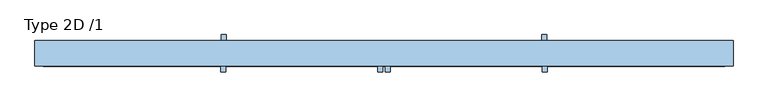
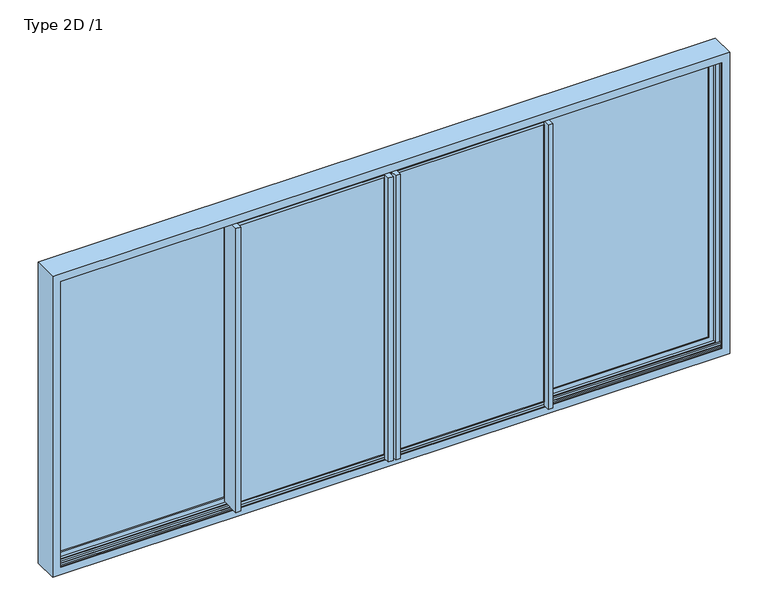
"""IFC4 building model written with IfcOpenShell, lengths in millimetres: window geometry, Type 2D /1."""

from ifc_helpers import new_model, si_unit, frame, origin, place, context, project, spatial, polyline, outline, extrude, faceted_brep, source, transform, mapped, element, save


def type_2d_1_b4686d61(model_context):
    return source(origin(), model_context, "Body", "SolidModel", [
        extrude(outline(polyline([(2120.2000011, -23.220203), (2120.2000011, -1103.279797), (12.7999989, -1103.279797), (12.7999989, -23.220203), (2120.2000011, -23.220203)]), holes=[polyline([(2101.4202041, -1084.5), (2101.4202041, -42.0), (31.5797959, -42.0), (31.5797959, -1084.5), (2101.4202041, -1084.5)])]), frame((0.0, -17.0, 0.0), z_axis=(0.0, 1.0, 0.0), x_axis=(0.0, 0.0, 1.0)), (0.0, 0.0, 1.0), 7.7200134),
        faceted_brep([(-1115.5, -17.0, -15.1996996), (-1115.5, -17.0, 2148.1996996), (-1115.5, -14.5, 2148.1996996), (-1115.5, -14.5, 2130.2001513), (-1115.5, 47.5000001, 2130.2001513), (-1115.5, 47.5000001, 2148.1996996), (-1115.5, 50.0, 2148.1996996), (-1115.5, 50.0, 2127.2000011), (-1115.5, 69.4999931, 2127.2000011), (-1115.5, 69.4999931, 5.8356019), (-1115.5, 50.0, 5.8356019), (-1115.5, 50.0, -15.1996996), (-1115.5, 47.5000001, -15.1996996), (-1115.5, 47.5000001, 2.7998487), (-1115.5, -14.5, 2.7998487), (-1115.5, -14.5, -15.1996996), (-3.0, -14.5, -15.1996996), (-3.0, -17.0, -15.1996996), (-3.0, -14.5, 2.7998487), (-3.0, 47.5000001, 2.7998487), (-3.0, 47.5000001, -15.1996996), (-3.0, 50.0, -15.1996996), (-1100.0, 50.0, 5.8356019), (-1100.0, 50.0, 2127.2000011), (-3.0, 50.0, 2148.1996996), (-3.0, 50.0, 2127.2000011), (-44.3, 50.0, 2127.2000011), (-44.3, 50.0, 2101.4202041), (-1082.2, 50.0, 2101.4202041), (-1082.2, 50.0, 31.5797959), (-44.3, 50.0, 31.5797959), (-44.3, 50.0, 5.8356019), (-3.0, 50.0, 5.8356019), (-1100.0, 69.4999931, 5.8356019), (-1100.0, 69.4999931, 2127.2000011), (-3.0, -17.0, 2148.1996996), (-1103.279797, -17.0, 12.7999989), (-1103.279797, -17.0, 2120.2000011), (-23.220203, -17.0, 2120.2000011), (-23.220203, -17.0, 12.7999989), (-3.0, 40.0, 5.8356019), (-3.0, 40.0, 2127.2000011), (-3.0, 47.5000001, 2148.1996996), (-3.0, 47.5000001, 2130.2001513), (-3.0, -14.5, 2130.2001513), (-3.0, -14.5, 2148.1996996), (-44.3, 58.2200283, 5.8356019), (0.0, 58.2200283, 5.8356019), (0.0, 40.0, 5.8356019), (-44.3, 40.0, 31.5797959), (-44.3, 40.0, 2101.4202041), (-44.3, 58.2200283, 2127.2000011), (-1082.2, 40.0, 31.5797959), (-1082.2, 40.0, 2101.4202041), (-1103.279797, 40.0, 12.7999989), (-23.220203, 40.0, 12.7999989), (-23.220203, 40.0, 2120.2000011), (-1103.279797, 40.0, 2120.2000011), (0.0, 40.0, 2127.2000011), (0.0, 58.2200283, 2127.2000011)], [[[0, 1, 2, 3, 4, 5, 6, 7, 8, 9, 10, 11, 12, 13, 14, 15]], [[15, 16, 17, 0]], [[14, 18, 16, 15]], [[13, 19, 18, 14]], [[12, 20, 19, 13]], [[11, 21, 20, 12]], [[11, 10, 22, 23, 7, 6, 24, 25, 26, 27, 28, 29, 30, 31, 32, 21]], [[22, 10, 9, 33]], [[34, 33, 9, 8]], [[35, 1, 0, 17], [36, 37, 38, 39]], [[21, 32, 40, 41, 25, 24, 42, 43, 44, 45, 35, 17, 16, 18, 19, 20]], [[40, 32, 31, 46, 47, 48]], [[23, 22, 33, 34]], [[46, 31, 30, 49, 50, 27, 26, 51]], [[52, 49, 30, 29]], [[29, 28, 53, 52]], [[54, 55, 56, 57], [53, 50, 49, 52]], [[54, 57, 37, 36]], [[55, 39, 38, 56]], [[36, 39, 55, 54]], [[8, 7, 23, 34]], [[28, 27, 50, 53]], [[56, 38, 37, 57]], [[1, 35, 45, 2]], [[2, 45, 44, 3]], [[3, 44, 43, 4]], [[4, 43, 42, 5]], [[5, 42, 24, 6]], [[51, 26, 25, 41, 58, 59]], [[59, 47, 46, 51]], [[40, 48, 58, 41]], [[58, 48, 47, 59]]]),
        extrude(outline(polyline([(-23.220203, 40.0), (-23.220203, -9.2799866), (-1103.279797, -9.2799866), (-1103.279797, 40.0), (-23.220203, 40.0)])), frame((0.0, 0.0, 12.7999989), z_axis=(0.0, 0.0, 1.0), x_axis=(1.0, 0.0, 0.0)), (0.0, 0.0, 1.0), 2107.4000022),
        extrude(outline(polyline([(-1084.5, -17.0), (-1084.5, -66.0000069), (-1118.5, -66.0000069), (-1118.5, 69.4999931), (-1115.5, 69.4999931), (-1115.5, -17.0), (-1084.5, -17.0)])), frame((0.0, 0.0, 5.8356019), z_axis=(0.0, 0.0, 1.0), x_axis=(1.0, 0.0, 0.0)), (0.0, 0.0, 1.0), 2121.3643992),
        extrude(outline(polyline([(-42.0, -17.0), (-3.0, -17.0), (-3.0, 40.0), (0.0, 40.0), (0.0, -19.2799717), (-8.0, -19.2799717), (-8.0, -66.0000069), (-42.0, -66.0000069), (-42.0, -17.0)])), frame((0.0, 0.0, 5.8356019), z_axis=(0.0, 0.0, 1.0), x_axis=(1.0, 0.0, 0.0)), (0.0, 0.0, 1.0), 2121.3643992),
        extrude(outline(polyline([(2120.2000011, 1096.720203), (12.7999989, 1096.720203), (12.7999989, 2317.5000011), (2120.2000011, 2317.5000011), (2120.2000011, 1096.720203)]), holes=[polyline([(2101.4202041, 2298.7202041), (31.5797959, 2298.7202041), (31.5797959, 1115.5), (2101.4202041, 1115.5), (2101.4202041, 2298.7202041)])]), frame((0.0, 132.2799866, 0.0), z_axis=(0.0, 1.0, 0.0), x_axis=(0.0, 0.0, 1.0)), (0.0, 0.0, 1.0), 7.7200134),
        faceted_brep([(2298.7202041, 73.0, 31.5797959), (2298.7202041, 83.0, 31.5797959), (1117.8, 83.0, 31.5797959), (1117.8, 73.0, 31.5797959), (1096.720203, 83.0, 12.7999989), (2317.5000011, 83.0, 12.7999989), (2317.5000011, 140.0, 12.7999989), (1096.720203, 140.0, 12.7999989), (1084.5, 137.5, -15.1996996), (1084.5, 140.0, -15.1996996), (2351.599999, 140.0, -15.1996996), (2351.599999, 73.0, -15.1996996), (1084.5, 73.0, -15.1996996), (1084.5, 75.4999999, -15.1996996), (2345.4996996, 75.4999999, -15.1996996), (2345.4996996, 137.5, -15.1996996), (1084.5, 137.5, 2.7998487), (1084.5, 75.4999999, 2.7998487), (1084.5, 73.0, 5.8356019), (1084.5, 53.5000069, 5.8356019), (1084.5, 53.5000069, 2127.2000011), (1084.5, 73.0, 2127.2000011), (1084.5, 73.0, 2148.1996996), (1084.5, 75.4999999, 2148.1996996), (1084.5, 75.4999999, 2130.2001513), (1084.5, 137.5, 2130.2001513), (1084.5, 137.5, 2148.1996996), (1084.5, 140.0, 2148.1996996), (2351.599999, 140.0, 2148.1996996), (2317.5000011, 140.0, 2120.2000011), (1096.720203, 140.0, 2120.2000011), (1100.0, 73.0, 5.8356019), (2351.599999, 73.0, 2148.1996996), (1100.0, 73.0, 2127.2000011), (2298.7202041, 73.0, 2101.4202041), (1117.8, 73.0, 2101.4202041), (2317.5000011, 83.0, 2120.2000011), (1096.720203, 83.0, 2120.2000011), (2298.7202041, 83.0, 2101.4202041), (1117.8, 83.0, 2101.4202041), (2345.4996996, 137.5, 2148.1996996), (2327.5001513, 137.5, 2130.2001513), (2327.5001513, 137.5, 2.7998487), (2327.5001513, 75.4999999, 2.7998487), (2327.5001513, 75.4999999, 2130.2001513), (2345.4996996, 75.4999999, 2148.1996996), (1100.0, 53.5000069, 5.8356019), (1100.0, 53.5000069, 2127.2000011)], [[[0, 1, 2, 3]], [[4, 5, 6, 7]], [[8, 9, 10, 11, 12, 13, 14, 15]], [[9, 8, 16, 17, 13, 12, 18, 19, 20, 21, 22, 23, 24, 25, 26, 27]], [[9, 27, 28, 10], [6, 29, 30, 7]], [[31, 18, 12, 11, 32, 22, 21, 33], [34, 0, 3, 35]], [[36, 5, 4, 37], [1, 38, 39, 2]], [[16, 8, 15, 40, 26, 25, 41, 42]], [[17, 16, 42, 43]], [[13, 17, 43, 44, 24, 23, 45, 14]], [[31, 46, 19, 18]], [[47, 20, 19, 46]], [[0, 34, 38, 1]], [[2, 39, 35, 3]], [[11, 10, 28, 32]], [[31, 33, 47, 46]], [[5, 36, 29, 6]], [[37, 4, 7, 30]], [[15, 14, 45, 40]], [[42, 41, 44, 43]], [[20, 47, 33, 21]], [[23, 22, 32, 28, 27, 26, 40, 45]], [[25, 24, 44, 41]], [[38, 34, 35, 39]], [[29, 36, 37, 30]]]),
        extrude(outline(polyline([(2317.5000011, 83.0), (1096.720203, 83.0), (1096.720203, 132.2799866), (2317.5000011, 132.2799866), (2317.5000011, 83.0)])), frame((0.0, 0.0, 12.7999989), z_axis=(0.0, 0.0, 1.0), x_axis=(1.0, 0.0, 0.0)), (0.0, 0.0, 1.0), 2107.4000022),
        extrude(outline(polyline([(1115.5, 140.0), (1084.5, 140.0), (1084.5, 53.5000069), (1081.5, 53.5000069), (1081.5, 189.0000069), (1115.5, 189.0000069), (1115.5, 140.0)])), frame((0.0, 0.0, 5.8356019), z_axis=(0.0, 0.0, 1.0), x_axis=(1.0, 0.0, 0.0)), (0.0, 0.0, 1.0), 2121.3643992),
        extrude(outline(polyline([(2120.2000011, -1096.720203), (2120.2000011, -2317.5000011), (12.7999989, -2317.5000011), (12.7999989, -1096.720203), (2120.2000011, -1096.720203)]), holes=[polyline([(2101.4202041, -2298.7202041), (2101.4202041, -1115.5), (31.5797959, -1115.5), (31.5797959, -2298.7202041), (2101.4202041, -2298.7202041)])]), frame((0.0, 132.2799866, 0.0), z_axis=(0.0, 1.0, 0.0), x_axis=(0.0, 0.0, 1.0)), (0.0, 0.0, 1.0), 7.7200134),
        faceted_brep([(-2298.7202041, 73.0, 31.5797959), (-1117.8, 73.0, 31.5797959), (-1117.8, 83.0, 31.5797959), (-2298.7202041, 83.0, 31.5797959), (-1096.720203, 83.0, 12.7999989), (-1096.720203, 140.0, 12.7999989), (-2317.5000011, 140.0, 12.7999989), (-2317.5000011, 83.0, 12.7999989), (-1084.5, 137.5, -15.1996996), (-2345.4996996, 137.5, -15.1996996), (-2345.4996996, 75.4999999, -15.1996996), (-1084.5, 75.4999999, -15.1996996), (-1084.5, 73.0, -15.1996996), (-2351.599999, 73.0, -15.1996996), (-2351.599999, 140.0, -15.1996996), (-1084.5, 140.0, -15.1996996), (-1084.5, 140.0, 2148.1996996), (-1084.5, 137.5, 2148.1996996), (-1084.5, 137.5, 2130.2001513), (-1084.5, 75.4999999, 2130.2001513), (-1084.5, 75.4999999, 2148.1996996), (-1084.5, 73.0, 2148.1996996), (-1084.5, 73.0, 2127.2000011), (-1084.5, 53.5000069, 2127.2000011), (-1084.5, 53.5000069, 5.8356019), (-1084.5, 73.0, 5.8356019), (-1084.5, 75.4999999, 2.7998487), (-1084.5, 137.5, 2.7998487), (-2351.599999, 140.0, 2148.1996996), (-1096.720203, 140.0, 2120.2000011), (-2317.5000011, 140.0, 2120.2000011), (-1100.0, 73.0, 5.8356019), (-1100.0, 73.0, 2127.2000011), (-2351.599999, 73.0, 2148.1996996), (-2298.7202041, 73.0, 2101.4202041), (-1117.8, 73.0, 2101.4202041), (-2317.5000011, 83.0, 2120.2000011), (-1096.720203, 83.0, 2120.2000011), (-1117.8, 83.0, 2101.4202041), (-2298.7202041, 83.0, 2101.4202041), (-2327.5001513, 137.5, 2.7998487), (-2327.5001513, 137.5, 2130.2001513), (-2345.4996996, 137.5, 2148.1996996), (-2327.5001513, 75.4999999, 2.7998487), (-2345.4996996, 75.4999999, 2148.1996996), (-2327.5001513, 75.4999999, 2130.2001513), (-1100.0, 53.5000069, 5.8356019), (-1100.0, 53.5000069, 2127.2000011)], [[[0, 1, 2, 3]], [[4, 5, 6, 7]], [[8, 9, 10, 11, 12, 13, 14, 15]], [[15, 16, 17, 18, 19, 20, 21, 22, 23, 24, 25, 12, 11, 26, 27, 8]], [[15, 14, 28, 16], [6, 5, 29, 30]], [[31, 32, 22, 21, 33, 13, 12, 25], [34, 35, 1, 0]], [[36, 37, 4, 7], [3, 2, 38, 39]], [[27, 40, 41, 18, 17, 42, 9, 8]], [[26, 43, 40, 27]], [[11, 10, 44, 20, 19, 45, 43, 26]], [[31, 25, 24, 46]], [[47, 46, 24, 23]], [[0, 3, 39, 34]], [[2, 1, 35, 38]], [[13, 33, 28, 14]], [[31, 46, 47, 32]], [[7, 6, 30, 36]], [[37, 29, 5, 4]], [[9, 42, 44, 10]], [[40, 43, 45, 41]], [[23, 22, 32, 47]], [[20, 44, 42, 17, 16, 28, 33, 21]], [[18, 41, 45, 19]], [[39, 38, 35, 34]], [[30, 29, 37, 36]]]),
        extrude(outline(polyline([(-2317.5000011, 83.0), (-2317.5000011, 132.2799866), (-1096.720203, 132.2799866), (-1096.720203, 83.0), (-2317.5000011, 83.0)])), frame((0.0, 0.0, 12.7999989), z_axis=(0.0, 0.0, 1.0), x_axis=(1.0, 0.0, 0.0)), (0.0, 0.0, 1.0), 2107.4000022),
        extrude(outline(polyline([(-1115.5, 140.0), (-1115.5, 189.0000069), (-1081.5, 189.0000069), (-1081.5, 53.5000069), (-1084.5, 53.5000069), (-1084.5, 140.0), (-1115.5, 140.0)])), frame((0.0, 0.0, 5.8356019), z_axis=(0.0, 0.0, 1.0), x_axis=(1.0, 0.0, 0.0)), (0.0, 0.0, 1.0), 2121.3643992),
        extrude(outline(polyline([(2120.2000011, 23.220203), (12.7999989, 23.220203), (12.7999989, 1103.279797), (2120.2000011, 1103.279797), (2120.2000011, 23.220203)]), holes=[polyline([(2101.4202041, 1084.5), (31.5797959, 1084.5), (31.5797959, 42.0), (2101.4202041, 42.0), (2101.4202041, 1084.5)])]), frame((0.0, -17.0, 0.0), z_axis=(0.0, 1.0, 0.0), x_axis=(0.0, 0.0, 1.0)), (0.0, 0.0, 1.0), 7.7200134),
        faceted_brep([(1115.5, -17.0, -15.1996996), (1115.5, -14.5, -15.1996996), (1115.5, -14.5, 2.7998487), (1115.5, 47.5000001, 2.7998487), (1115.5, 47.5000001, -15.1996996), (1115.5, 50.0, -15.1996996), (1115.5, 50.0, 5.8356019), (1115.5, 69.4999931, 5.8356019), (1115.5, 69.4999931, 2127.2000011), (1115.5, 50.0, 2127.2000011), (1115.5, 50.0, 2148.1996996), (1115.5, 47.5000001, 2148.1996996), (1115.5, 47.5000001, 2130.2001513), (1115.5, -14.5, 2130.2001513), (1115.5, -14.5, 2148.1996996), (1115.5, -17.0, 2148.1996996), (3.0, -17.0, -15.1996996), (3.0, -14.5, -15.1996996), (3.0, -14.5, 2.7998487), (3.0, 47.5000001, 2.7998487), (3.0, 47.5000001, -15.1996996), (3.0, 50.0, -15.1996996), (3.0, 50.0, 5.8356019), (44.3, 50.0, 5.8356019), (44.3, 50.0, 31.5797959), (1082.2, 50.0, 31.5797959), (1082.2, 50.0, 2101.4202041), (44.3, 50.0, 2101.4202041), (44.3, 50.0, 2127.2000011), (3.0, 50.0, 2127.2000011), (3.0, 50.0, 2148.1996996), (1100.0, 50.0, 2127.2000011), (1100.0, 50.0, 5.8356019), (1100.0, 69.4999931, 5.8356019), (1100.0, 69.4999931, 2127.2000011), (3.0, -17.0, 2148.1996996), (1103.279797, -17.0, 12.7999989), (23.220203, -17.0, 12.7999989), (23.220203, -17.0, 2120.2000011), (1103.279797, -17.0, 2120.2000011), (3.0, -14.5, 2148.1996996), (3.0, -14.5, 2130.2001513), (3.0, 47.5000001, 2130.2001513), (3.0, 47.5000001, 2148.1996996), (3.0, 40.0, 2127.2000011), (3.0, 40.0, 5.8356019), (0.0, 40.0, 5.8356019), (0.0, 58.2200283, 5.8356019), (44.3, 58.2200283, 5.8356019), (44.3, 58.2200283, 2127.2000011), (44.3, 40.0, 2101.4202041), (44.3, 40.0, 31.5797959), (1082.2, 40.0, 31.5797959), (1082.2, 40.0, 2101.4202041), (1103.279797, 40.0, 12.7999989), (1103.279797, 40.0, 2120.2000011), (23.220203, 40.0, 2120.2000011), (23.220203, 40.0, 12.7999989), (0.0, 58.2200283, 2127.2000011), (0.0, 40.0, 2127.2000011)], [[[0, 1, 2, 3, 4, 5, 6, 7, 8, 9, 10, 11, 12, 13, 14, 15]], [[1, 0, 16, 17]], [[2, 1, 17, 18]], [[3, 2, 18, 19]], [[4, 3, 19, 20]], [[5, 4, 20, 21]], [[5, 21, 22, 23, 24, 25, 26, 27, 28, 29, 30, 10, 9, 31, 32, 6]], [[32, 33, 7, 6]], [[34, 8, 7, 33]], [[35, 16, 0, 15], [36, 37, 38, 39]], [[21, 20, 19, 18, 17, 16, 35, 40, 41, 42, 43, 30, 29, 44, 45, 22]], [[45, 46, 47, 48, 23, 22]], [[31, 34, 33, 32]], [[48, 49, 28, 27, 50, 51, 24, 23]], [[52, 25, 24, 51]], [[25, 52, 53, 26]], [[54, 55, 56, 57], [53, 52, 51, 50]], [[54, 36, 39, 55]], [[57, 56, 38, 37]], [[36, 54, 57, 37]], [[8, 34, 31, 9]], [[26, 53, 50, 27]], [[56, 55, 39, 38]], [[15, 14, 40, 35]], [[14, 13, 41, 40]], [[13, 12, 42, 41]], [[12, 11, 43, 42]], [[11, 10, 30, 43]], [[49, 58, 59, 44, 29, 28]], [[58, 49, 48, 47]], [[45, 44, 59, 46]], [[59, 58, 47, 46]]]),
        extrude(outline(polyline([(23.220203, 40.0), (1103.279797, 40.0), (1103.279797, -9.2799866), (23.220203, -9.2799866), (23.220203, 40.0)])), frame((0.0, 0.0, 12.7999989), z_axis=(0.0, 0.0, 1.0), x_axis=(1.0, 0.0, 0.0)), (0.0, 0.0, 1.0), 2107.4000022),
        extrude(outline(polyline([(1084.5, -17.0), (1115.5, -17.0), (1115.5, 69.4999931), (1118.5, 69.4999931), (1118.5, -66.0000069), (1084.5, -66.0000069), (1084.5, -17.0)])), frame((0.0, 0.0, 5.8356019), z_axis=(0.0, 0.0, 1.0), x_axis=(1.0, 0.0, 0.0)), (0.0, 0.0, 1.0), 2121.3643992),
        extrude(outline(polyline([(42.0, -17.0), (42.0, -66.0000069), (8.0, -66.0000069), (8.0, -19.2799717), (0.0, -19.2799717), (0.0, 40.0), (3.0, 40.0), (3.0, -17.0), (42.0, -17.0)])), frame((0.0, 0.0, 5.8356019), z_axis=(0.0, 0.0, 1.0), x_axis=(1.0, 0.0, 0.0)), (0.0, 0.0, 1.0), 2121.3643992),
        faceted_brep([(-2390.0, -27.0, 2190.0), (-2390.0, 150.0, 2190.0), (-2390.0, 150.0, -57.0), (-2390.0, -27.0, -57.0), (2390.0, 150.0, -57.0), (2390.0, -27.0, -57.0), (2390.0, 150.0, 2190.0), (2333.0, 150.0, 0.0), (2333.0, 150.0, 2133.0), (-2333.0, 150.0, 2133.0), (-2333.0, 150.0, 0.0), (2390.0, -27.0, 2190.0), (-2333.0, -27.0, 0.0), (-2333.0, -27.0, 2133.0), (2333.0, -27.0, 2133.0), (2333.0, -27.0, 0.0), (-2333.0, -20.5, 2133.0), (-2333.0, -20.5, 0.0), (2333.0, -20.5, 0.0), (2333.0, -20.5, 2133.0), (-2363.5, -20.5, -30.5), (-2363.5, -20.5, 2163.5), (2363.5, -20.5, 2163.5), (2363.5, -20.5, -30.5), (-2363.5, 53.5, 2163.5), (-2363.5, 53.5, -30.5), (2363.5, 53.5, -30.5), (2363.5, 53.5, 2163.5), (-2333.0, 53.5, 0.0), (-2333.0, 53.5, 2133.0), (2333.0, 53.5, 2133.0), (2333.0, 53.5, 0.0), (-2333.0, 69.5, 2133.0), (-2333.0, 69.5, 0.0), (2333.0, 69.5, 0.0), (2333.0, 69.5, 2133.0), (-2363.5, 69.5, -30.5), (-2363.5, 69.5, 2163.5), (2363.5, 69.5, 2163.5), (2363.5, 69.5, -30.5), (-2363.5, 143.5, 2163.5), (-2363.5, 143.5, -30.5), (2363.5, 143.5, -30.5), (2363.5, 143.5, 2163.5), (-2333.0, 143.5, 0.0), (-2333.0, 143.5, 2133.0), (2333.0, 143.5, 2133.0), (2333.0, 143.5, 0.0)], [[[0, 1, 2, 3]], [[3, 2, 4, 5]], [[2, 1, 6, 4], [7, 8, 9, 10]], [[5, 4, 6, 11]], [[5, 11, 0, 3], [12, 13, 14, 15]], [[16, 13, 12, 17]], [[17, 12, 15, 18]], [[18, 15, 14, 19]], [[20, 21, 22, 23], [18, 19, 16, 17]], [[24, 21, 20, 25]], [[25, 20, 23, 26]], [[26, 23, 22, 27]], [[26, 27, 24, 25], [28, 29, 30, 31]], [[32, 29, 28, 33]], [[33, 28, 31, 34]], [[34, 31, 30, 35]], [[36, 37, 38, 39], [34, 35, 32, 33]], [[40, 37, 36, 41]], [[41, 36, 39, 42]], [[42, 39, 38, 43]], [[42, 43, 40, 41], [44, 45, 46, 47]], [[9, 45, 44, 10]], [[10, 44, 47, 7]], [[7, 47, 46, 8]], [[11, 6, 1, 0]], [[19, 14, 13, 16]], [[27, 22, 21, 24]], [[35, 30, 29, 32]], [[43, 38, 37, 40]], [[8, 46, 45, 9]]]),
        extrude(outline(polyline([(69.5, 0.0), (53.5, 0.0), (53.5, 1.7), (150.0, 1.7), (150.0, 0.0), (143.5, 0.0), (143.5, -30.5), (134.65, -30.5), (134.65, 0.0), (78.35, 0.0), (78.35, -30.5), (69.5, -30.5), (69.5, 0.0)])), frame((-1100.0, 0.0, 0.0), z_axis=(1.0, 0.0, 0.0), x_axis=(0.0, 1.0, 0.0)), (0.0, 0.0, 1.0), 2200.0),
        extrude(outline(polyline([(80.0, -30.5), (80.0, -0.2), (96.2954822, -0.2), (106.5, -4.9584448), (116.7045178, -0.2), (133.0, -0.2), (133.0, -30.5), (80.0, -30.5)])), frame((-2363.5, 0.0, 0.0), z_axis=(1.0, 0.0, 0.0), x_axis=(0.0, 1.0, 0.0)), (0.0, 0.0, 1.0), 4727.0),
        extrude(outline(polyline([(43.0, -30.5), (-10.0, -30.5), (-10.0, -0.2), (6.2954822, -0.2), (16.5, -4.9584448), (26.7045178, -0.2), (43.0, -0.2), (43.0, -30.5)])), frame((-2363.5, 0.0, 0.0), z_axis=(1.0, 0.0, 0.0), x_axis=(0.0, 1.0, 0.0)), (0.0, 0.0, 1.0), 4727.0),
    ])


if __name__ == "__main__":
    model = new_model("IFC4")
    model_context = context("Model", 3, world=origin())
    ifc_project = project(units=[si_unit("LENGTHUNIT", "METRE", prefix="MILLI")], contexts=[model_context])
    site = spatial("IfcSite", under=ifc_project)
    building = spatial("IfcBuilding", under=site)
    placement = place(None, origin())
    type_2d_1_shape = type_2d_1_b4686d61(model_context)
    element("IfcWindow", 1, ObjectType="Type 2D /1", at=placement, inside=building, context=model_context, shape_type="MappedRepresentation", body=[
        mapped(type_2d_1_shape, transform((0.0, 0.0, 0.0), x_axis=(1.0, 0.0, 0.0), y_axis=(0.0, 1.0, 0.0), z_axis=(0.0, 0.0, 1.0))),
    ])
    save(model, "model.ifc")
